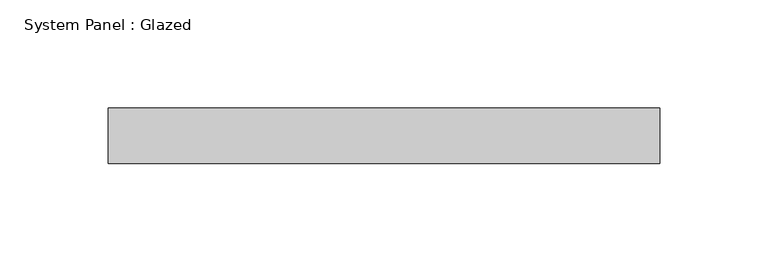
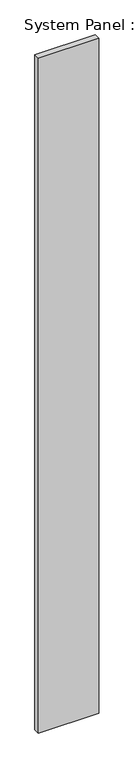
"""IFC4 building model written with IfcOpenShell, lengths in millimetres: plate geometry, System Panel : Glazed."""

from ifc_helpers import new_model, si_unit, origin, origin_with_axes, place, context, project, spatial, polyline, outline, extrude, source, transform, mapped, element, save


def system_panel_glazed_6a0c9c86(model_context):
    return source(origin(), model_context, "Body", "SweptSolid", [
        extrude(outline(polyline([(127.0, -44.45), (-127.0, -44.45), (-127.0, -19.05), (127.0, -19.05), (127.0, -44.45)])), origin_with_axes(), (0.0, 0.0, 1.0), 2997.2),
    ])


if __name__ == "__main__":
    model = new_model("IFC4")
    model_context = context("Model", 3, world=origin())
    ifc_project = project(units=[si_unit("LENGTHUNIT", "METRE", prefix="MILLI")], contexts=[model_context])
    site = spatial("IfcSite", under=ifc_project)
    building = spatial("IfcBuilding", under=site)
    placement = place(None, origin())
    system_panel_glazed_shape = system_panel_glazed_6a0c9c86(model_context)
    element("IfcPlate", 1, ObjectType="System Panel : Glazed", at=placement, inside=building, context=model_context, shape_type="MappedRepresentation", body=[
        mapped(system_panel_glazed_shape, transform((0.0, 0.0, 0.0), x_axis=(1.0, 0.0, 0.0), y_axis=(0.0, 1.0, 0.0), z_axis=(0.0, 0.0, 1.0))),
    ])
    save(model, "model.ifc")
